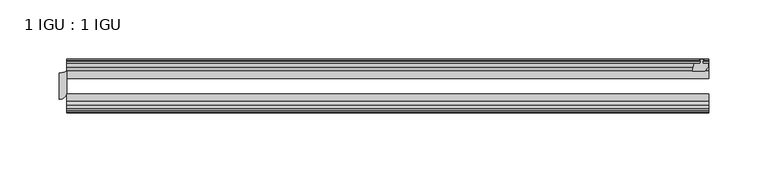
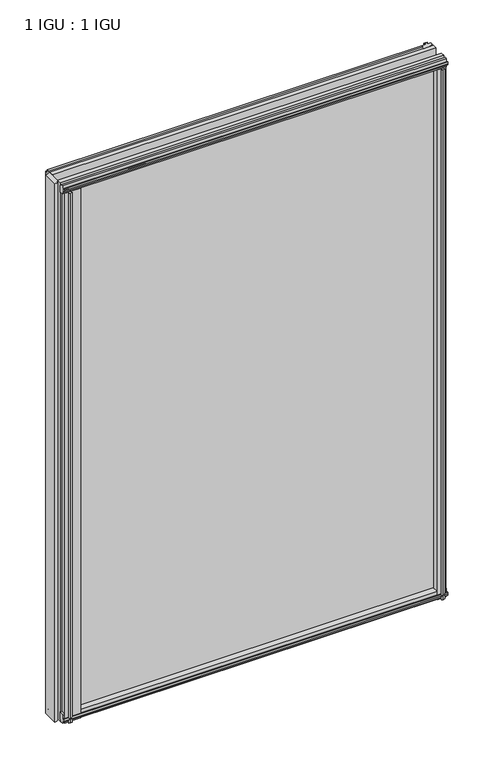
"""IFC4 building model written with IfcOpenShell, lengths in millimetres: plate geometry, 1 IGU : 1 IGU."""

from ifc_helpers import new_model, si_unit, point, frame, frame_2d, origin, place, context, project, spatial, polyline, circle_curve, trimmed, segment, composite_curve, outline, extrude, source, transform, mapped, element, save


def plate_1_igu_1_igu_3d4a29b3(model_context):
    return source(origin(), model_context, "Body", "SweptSolid", [
        extrude(outline(composite_curve([segment(trimmed(circle_curve(frame_2d((-282.575, -9.2004624)), 12.1389698), [point((-282.575, -21.3394322))], [point((-276.225, -19.5460937))], True, "CARTESIAN"), True, "CONTINUOUS"), segment(polyline([(-276.225, -19.5460937), (-276.225, -37.2144322)]), True, "CONTINUOUS"), segment(trimmed(circle_curve(frame_2d((-282.575, -37.2144322)), 6.35), [point((-276.225, -37.2144322))], [point((-282.575, -43.5644322))], False, "CARTESIAN"), True, "CONTINUOUS"), segment(polyline([(-282.575, -43.5644322), (-282.575, -21.3394322)]), True, "CONTINUOUS")], self_intersect=False)), frame((0.0, 0.0, -12.4587), z_axis=(0.0, 0.0, 1.0), x_axis=(1.0, 0.0, 0.0)), (0.0, 0.0, 1.0), 799.6174),
        extrude(outline(polyline([(255.5181709, -10.4746158), (257.6957, -9.7670938), (259.8732291, -10.4746158), (259.8732291, -11.27583), (258.4577, -10.8158968), (258.8387, -13.1960938), (263.2837, -13.1960938), (263.2837, -16.1424938), (260.4493578, -19.5460938), (249.6279819, -19.5460938), (251.3457, -13.1960938), (256.5527, -13.1960938), (256.9337, -10.8158968), (255.5181709, -11.27583), (255.5181709, -10.4746158)])), frame((0.0, 0.0, -12.4587), z_axis=(0.0, 0.0, 1.0), x_axis=(1.0, 0.0, 0.0)), (0.0, 0.0, 1.0), 799.6174),
        extrude(outline(composite_curve([segment(polyline([(-273.05, -44.9460937), (-248.9617558, -44.9460937)]), True, "CONTINUOUS"), segment(trimmed(circle_curve(frame_2d((-242.0493721, -50.4227155)), 8.8189814), [point((-248.9617558, -44.9460937))], [point((-250.825, -51.2960937))], True, "CARTESIAN"), True, "CONTINUOUS"), segment(polyline([(-250.825, -51.2960937), (-265.43, -51.2960937), (-265.7475, -53.4006957), (-264.5288941, -53.0741712), (-264.3251, -53.8347412), (-266.7, -54.4710937), (-269.0749, -53.8347412), (-268.8711059, -53.0741712), (-267.6525, -53.4006957), (-267.97, -51.2960937), (-273.05, -51.2960937), (-273.05, -44.9460937)]), True, "CONTINUOUS")], self_intersect=False)), frame((0.0, 0.0, -12.4587), z_axis=(0.0, 0.0, 1.0), x_axis=(1.0, 0.0, 0.0)), (0.0, 0.0, 1.0), 786.9174),
        extrude(outline(polyline([(249.1105839, -44.9460938), (259.9319598, -44.9460938), (262.766302, -48.3496938), (262.766302, -51.2960938), (258.321302, -51.2960938), (257.940302, -53.6762907), (259.355831, -53.2163575), (259.355831, -54.0175717), (257.178302, -54.7250938), (255.0007729, -54.0175717), (255.0007729, -53.2163575), (256.416302, -53.6762907), (256.035302, -51.2960938), (250.828302, -51.2960938), (249.1105839, -44.9460938)])), frame((0.0, 0.0, -12.4587), z_axis=(0.0, 0.0, 1.0), x_axis=(1.0, 0.0, 0.0)), (0.0, 0.0, 1.0), 786.9174),
        extrude(outline(polyline([(-10.4746158, -4.6931709), (-9.7670937, -6.8707), (-10.4746158, -9.0482291), (-11.27583, -9.0482291), (-10.8158968, -7.6327), (-13.1960937, -8.0137), (-13.1960937, -12.4587), (-16.1424937, -12.4587), (-19.5460937, -9.6243578), (-19.5460937, 1.1970181), (-13.1960937, -0.5207), (-13.1960937, -5.7277), (-10.8158968, -6.1087), (-11.27583, -4.6931709), (-10.4746158, -4.6931709)])), frame((-276.225, 0.0, 0.0), z_axis=(1.0, 0.0, 0.0), x_axis=(0.0, 1.0, 0.0)), (0.0, 0.0, 1.0), 539.75),
        extrude(outline(polyline([(-44.9460937, 1.7177181), (-44.9460937, -9.1036578), (-48.3496937, -11.938), (-51.2960937, -11.938), (-51.2960937, -7.493), (-53.6762907, -7.112), (-53.2163575, -8.5275291), (-54.0175717, -8.5275291), (-54.7250937, -6.35), (-54.0175717, -4.1724709), (-53.2163575, -4.1724709), (-53.6762907, -5.588), (-51.2960937, -5.207), (-51.2960937, 0.0), (-44.9460937, 1.7177181)])), frame((-276.225, 0.0, 0.0), z_axis=(1.0, 0.0, 0.0), x_axis=(0.0, 1.0, 0.0)), (0.0, 0.0, 1.0), 539.75),
        extrude(outline(polyline([(-10.8158968, 782.3327), (-11.27583, 783.7482291), (-10.4746158, 783.7482291), (-9.7670937, 781.5707), (-10.4746158, 779.3931709), (-11.27583, 779.3931709), (-10.8158968, 780.8087), (-13.1960937, 780.4277), (-13.1960937, 775.2207), (-19.5460938, 773.5029819), (-19.5460938, 784.3243578), (-16.1424937, 787.1587), (-13.1960937, 787.1587), (-13.1960937, 782.7137), (-10.8158968, 782.3327)])), frame((-276.225, 0.0, 0.0), z_axis=(1.0, 0.0, 0.0), x_axis=(0.0, 1.0, 0.0)), (0.0, 0.0, 1.0), 539.75),
        extrude(outline(polyline([(-51.2960937, 786.638), (-48.3496937, 786.638), (-44.9460938, 783.8036578), (-44.9460938, 772.9822819), (-51.2960937, 774.7), (-51.2960937, 779.907), (-53.6762907, 780.288), (-53.2163575, 778.8724709), (-54.0175717, 778.8724709), (-54.7250937, 781.05), (-54.0175717, 783.2275291), (-53.2163575, 783.2275291), (-53.6762907, 781.812), (-51.2960937, 782.193), (-51.2960937, 786.638)])), frame((-276.225, 0.0, 0.0), z_axis=(1.0, 0.0, 0.0), x_axis=(0.0, 1.0, 0.0)), (0.0, 0.0, 1.0), 539.75),
        extrude(outline(polyline([(-276.225, -38.9186738), (263.525, -38.9186738), (263.525, -44.9460937), (-276.225, -44.9460937), (-276.225, -38.9186738)])), frame((0.0, 0.0, -12.7), z_axis=(0.0, 0.0, 1.0), x_axis=(1.0, 0.0, 0.0)), (0.0, 0.0, 1.0), 800.1),
        extrude(outline(polyline([(-276.225, -19.5460937), (263.525, -19.5460937), (263.525, -25.8960938), (-276.225, -25.8960938), (-276.225, -19.5460937)])), frame((0.0, 0.0, -12.7), z_axis=(0.0, 0.0, 1.0), x_axis=(1.0, 0.0, 0.0)), (0.0, 0.0, 1.0), 800.1),
    ])


if __name__ == "__main__":
    model = new_model("IFC4")
    model_context = context("Model", 3, world=origin())
    ifc_project = project(units=[si_unit("LENGTHUNIT", "METRE", prefix="MILLI")], contexts=[model_context])
    site = spatial("IfcSite", under=ifc_project)
    building = spatial("IfcBuilding", under=site)
    placement = place(None, origin())
    plate_1_igu_1_igu_shape = plate_1_igu_1_igu_3d4a29b3(model_context)
    element("IfcPlate", 1, ObjectType="1 IGU : 1 IGU", at=placement, inside=building, context=model_context, shape_type="MappedRepresentation", body=[
        mapped(plate_1_igu_1_igu_shape, transform((0.0, 0.0, 0.0), x_axis=(1.0, 0.0, 0.0), y_axis=(0.0, 1.0, 0.0), z_axis=(0.0, 0.0, 1.0))),
    ])
    save(model, "model.ifc")
